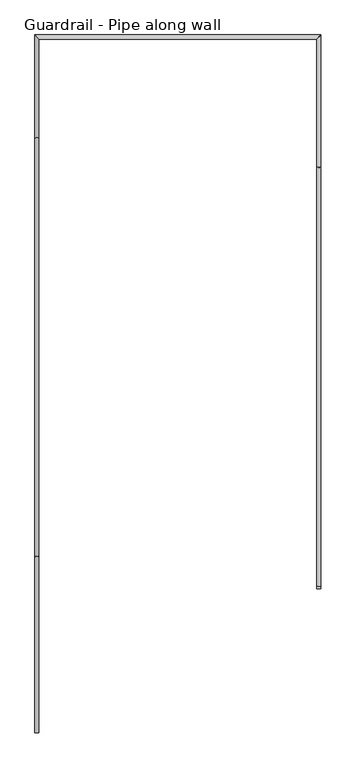
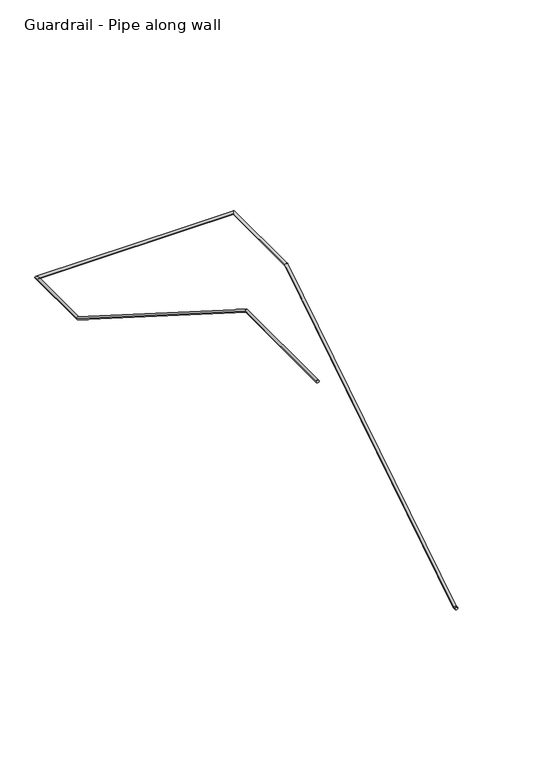
"""IFC4 building model written with IfcOpenShell, lengths in millimetres: railing geometry, Guardrail - Pipe along wall."""

from ifc_helpers import new_model, si_unit, frame, origin, place, context, project, spatial, circle_curve, ellipse_curve, source, transform, mapped, element, save
from ifc_brep_helpers import plane_surface, cylinder_surface, advanced_brep


def guardrail_pipe_along_wall_ce049c8a(model_context):
    return source(origin(), model_context, "Body", "AdvancedBrep", [
        advanced_brep(
        [(303840.1957983, -254782.6854408, 742.95), (303802.0957983, -254782.6854408, 742.95), (303802.0957983, -250871.0854408, 3218.9796296), (303840.1957983, -250871.0854408, 3218.9796296), (303802.0957983, -249676.4580223, 3218.9796296), (303840.1957983, -249638.3580223, 3218.9796296), (301207.2754676, -249676.4580223, 3218.9796296), (301169.1754676, -249638.3580223, 3218.9796296), (301207.2754676, -250602.7306038, 3218.9796296), (301169.1754676, -250602.7306038, 3218.9796296), (301207.2754676, -254514.3306038, 5695.0092593), (301169.1754676, -254514.3306038, 5695.0092593), (301207.2754676, -256159.8080223, 5695.0092593), (301169.1754676, -256159.8080223, 5695.0092593), (303802.0957983, -254813.6080223, 742.95), (303840.1957983, -254813.6080223, 742.95)],
        [
            (0, 1, ellipse_curve(frame((303821.1457983, -254782.6854408, 742.95), z_axis=(0.0, 0.9604550090529086, 0.27843522691135364), x_axis=(0.0, 0.278435226911353, -0.9604550090529088)), 19.8343492, 19.05)),
            (1, 2),
            (2, 3, ellipse_curve(frame((303821.1457983, -250871.0854408, 3218.9796296), z_axis=(0.0, -0.9604550090529086, -0.2784352269113537), x_axis=(0.0, 0.27843522691135303, -0.9604550090529088)), 19.8343492, 19.05)),
            (3, 0),
            (1, 0, ellipse_curve(frame((303821.1457983, -254782.6854408, 742.95), z_axis=(0.0, 0.9604550090529086, 0.27843522691135364), x_axis=(0.0, 0.278435226911353, -0.9604550090529088)), 19.8343492, 19.05)),
            (3, 2, ellipse_curve(frame((303821.1457983, -250871.0854408, 3218.9796296), z_axis=(0.0, -0.9604550090529086, -0.2784352269113537), x_axis=(0.0, 0.27843522691135303, -0.9604550090529088)), 19.8343492, 19.05)),
            (2, 4),
            (4, 5, ellipse_curve(frame((303821.1457983, -249657.4080223, 3218.9796296), z_axis=(0.7071067811865475, -0.7071067811865475, 0.0), x_axis=(-0.7071067811865474, -0.7071067811865476, 0.0)), 26.9407684, 19.05)),
            (5, 3),
            (5, 4, ellipse_curve(frame((303821.1457983, -249657.4080223, 3218.9796296), z_axis=(0.7071067811865475, -0.7071067811865475, 0.0), x_axis=(-0.7071067811865474, -0.7071067811865476, 0.0)), 26.9407684, 19.05)),
            (4, 6),
            (6, 7, ellipse_curve(frame((301188.2254676, -249657.4080223, 3218.9796296), z_axis=(0.7071067811865475, 0.7071067811865475, 0.0), x_axis=(0.7071067811865476, -0.7071067811865474, 0.0)), 26.9407684, 19.05)),
            (7, 5),
            (7, 6, ellipse_curve(frame((301188.2254676, -249657.4080223, 3218.9796296), z_axis=(0.7071067811865475, 0.7071067811865475, 0.0), x_axis=(0.7071067811865476, -0.7071067811865474, 0.0)), 26.9407684, 19.05)),
            (6, 8),
            (8, 9, ellipse_curve(frame((301188.2254676, -250602.7306038, 3218.9796296), z_axis=(0.0, 0.9604550090529084, -0.27843522691135497), x_axis=(0.0, 0.27843522691135497, 0.9604550090529085)), 19.8343492, 19.05)),
            (9, 7),
            (9, 8, ellipse_curve(frame((301188.2254676, -250602.7306038, 3218.9796296), z_axis=(0.0, 0.9604550090529084, -0.27843522691135497), x_axis=(0.0, 0.27843522691135497, 0.9604550090529085)), 19.8343492, 19.05)),
            (8, 10),
            (10, 11, ellipse_curve(frame((301188.2254676, -254514.3306038, 5695.0092593), z_axis=(0.0, 0.9604550090529084, -0.2784352269113549), x_axis=(0.0, -0.27843522691135497, -0.9604550090529085)), 19.8343492, 19.05)),
            (11, 9),
            (11, 10, ellipse_curve(frame((301188.2254676, -254514.3306038, 5695.0092593), z_axis=(0.0, 0.9604550090529084, -0.2784352269113549), x_axis=(0.0, -0.27843522691135497, -0.9604550090529085)), 19.8343492, 19.05)),
            (12, 13, circle_curve(frame((301188.2254676, -256159.8080223, 5695.0092593), z_axis=(0.0, -1.0, 0.0), x_axis=(-1.0, 0.0, 0.0)), 19.05)),
            (13, 12, circle_curve(frame((301188.2254676, -256159.8080223, 5695.0092593), z_axis=(0.0, -1.0, 0.0), x_axis=(-1.0, 0.0, 0.0)), 19.05)),
            (10, 12),
            (13, 11),
            (14, 15, circle_curve(frame((303821.1457983, -254813.6080223, 742.95), z_axis=(0.0, -1.0, 0.0), x_axis=(1.0, 0.0, 0.0)), 19.05)),
            (15, 14, circle_curve(frame((303821.1457983, -254813.6080223, 742.95), z_axis=(0.0, -1.0, 0.0), x_axis=(1.0, 0.0, 0.0)), 19.05)),
            (14, 1),
            (0, 15),
        ],
        [
            cylinder_surface(frame((303821.1457983, -254778.0191486, 745.9037473), z_axis=(0.0, -0.844947648829646, -0.5348490167675858), x_axis=(1.0, 0.0, 0.0)), 19.05),
            cylinder_surface(frame((303821.1457983, -250876.6080223, 3218.9796296), z_axis=(0.0, -1.0, 0.0), x_axis=(1.0, 0.0, 0.0)), 19.05),
            cylinder_surface(frame((303821.1457983, -249657.4080223, 3218.9796296), z_axis=(1.0, 0.0, 0.0), x_axis=(0.0, 1.0, 0.0)), 19.05),
            cylinder_surface(frame((301188.2254676, -249657.4080223, 3218.9796296), z_axis=(0.0, 1.0, 0.0), x_axis=(-1.0, 0.0, 0.0)), 19.05),
            cylinder_surface(frame((301188.2254676, -250607.3968961, 3221.9333769), z_axis=(0.0, 0.8449476488296446, -0.534849016767588), x_axis=(-1.0, 0.0, 0.0)), 19.05),
            plane_surface(frame((301188.2254676, -256159.8080223, 5714.0592593), z_axis=(0.0, -1.0, 0.0), x_axis=(0.0, 0.0, -1.0))),
            cylinder_surface(frame((301188.2254676, -254508.8080223, 5695.0092593), z_axis=(0.0, 1.0, 0.0), x_axis=(-1.0, 0.0, 0.0)), 19.05),
            plane_surface(frame((303821.1457983, -254813.6080223, 762.0), z_axis=(0.0, -1.0, 0.0), x_axis=(0.0, 0.0, 1.0))),
            cylinder_surface(frame((303821.1457983, -254813.6080223, 742.95), z_axis=(0.0, -1.0, 0.0), x_axis=(1.0, 0.0, 0.0)), 19.05),
        ],
        [
            (0, [[1, 2, 3, 4]]),
            (0, [[5, -4, 6, -2]]),
            (1, [[-3, 7, 8, 9]]),
            (1, [[-6, -9, 10, -7]]),
            (2, [[-8, 11, 12, 13]]),
            (2, [[-10, -13, 14, -11]]),
            (3, [[-12, 15, 16, 17]]),
            (3, [[-14, -17, 18, -15]]),
            (4, [[-16, 19, 20, 21]]),
            (4, [[-18, -21, 22, -19]]),
            (5, [[23, 24]]),
            (6, [[-20, 25, -24, 26]]),
            (6, [[-22, -26, -23, -25]]),
            (7, [[27, 28]]),
            (8, [[-27, 29, -1, 30]]),
            (8, [[-28, -30, -5, -29]]),
        ],
    ),
    ])


if __name__ == "__main__":
    model = new_model("IFC4")
    model_context = context("Model", 3, world=origin())
    ifc_project = project(units=[si_unit("LENGTHUNIT", "METRE", prefix="MILLI")], contexts=[model_context])
    site = spatial("IfcSite", under=ifc_project)
    building = spatial("IfcBuilding", under=site)
    placement = place(None, origin())
    guardrail_pipe_along_wall_shape = guardrail_pipe_along_wall_ce049c8a(model_context)
    element("IfcRailing", 1, ObjectType="Guardrail - Pipe along wall", at=placement, inside=building, context=model_context, shape_type="MappedRepresentation", body=[
        mapped(guardrail_pipe_along_wall_shape, transform((0.0, 0.0, 0.0), x_axis=(1.0, 0.0, 0.0), y_axis=(0.0, 1.0, 0.0), z_axis=(0.0, 0.0, 1.0))),
    ])
    save(model, "model.ifc")
